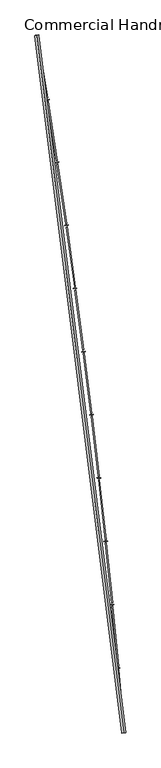
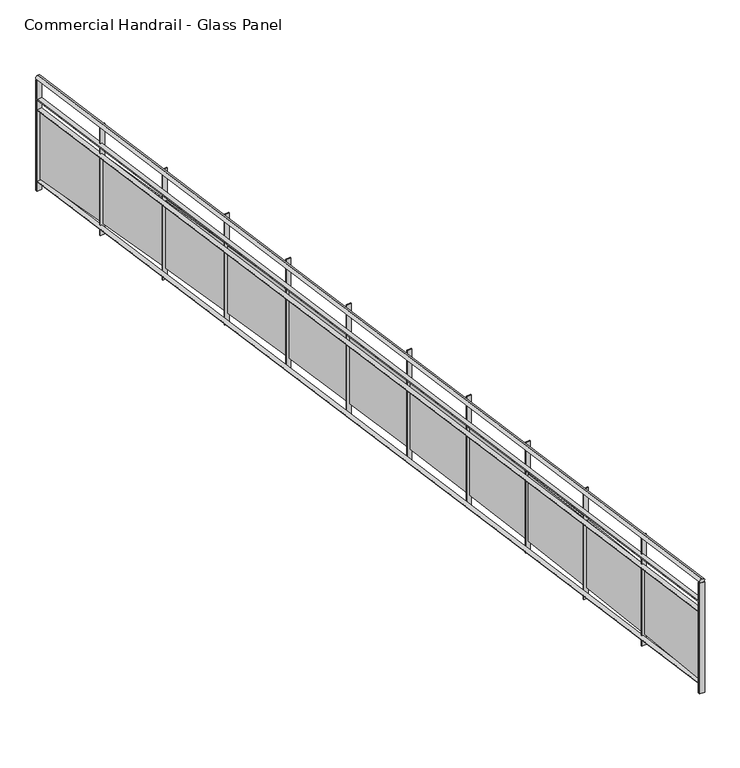
"""IFC4 building model written with IfcOpenShell, lengths in millimetres: railing geometry, Commercial Handrail - Glass Panel."""

from ifc_helpers import new_model, si_unit, point, frame, origin, place, context, project, spatial, polyline, circle_curve, ellipse_curve, trimmed, outline, extrude, source, transform, mapped, element, save
from ifc_brep_helpers import plane_surface, cylinder_surface, revolved_surface, advanced_brep


def commercial_handrail_glass_panel_8ba1d8c4(model_context):
    return source(origin(), model_context, "Body", "SolidModel", [
        advanced_brep(
        [(155415.1518736, -49813.1101198, 36682.5), (156507.3198577, -58575.9102119, 36682.5), (156507.3198577, -58575.9102119, 36717.5), (155415.1518736, -49813.1101198, 36717.5)],
        [
            (0, 1, circle_curve(frame((49774.785812, -67429.2570352, 36682.5), z_axis=(0.0, 0.0, -1.0), x_axis=(0.9965773914870409, 0.08266500333808188, 0.0)), 107099.0923108)),
            (1, 2, ellipse_curve(frame((156507.3198577, -58575.9102119, 36700.0), z_axis=(-0.08266500333808835, 0.9965773914870406, 0.0), x_axis=(0.9965773914870404, 0.08266500333808834, 0.0)), 25.0, 17.5)),
            (2, 3, circle_curve(frame((49774.785812, -67429.2570352, 36717.5), z_axis=(0.0, 0.0, 1.0), x_axis=(0.9965773914870409, 0.08266500333808188, 0.0)), 107099.0923108)),
            (3, 0, ellipse_curve(frame((155415.1518736, -49813.1101198, 36700.0), z_axis=(0.16448455850891983, -0.9863796581500077, 0.0), x_axis=(0.9863796581500075, 0.1644845585089198, 0.0)), 25.0, 17.5)),
            (2, 1, ellipse_curve(frame((156507.3198577, -58575.9102119, 36700.0), z_axis=(-0.08266500333808835, 0.9965773914870406, 0.0), x_axis=(0.9965773914870404, 0.08266500333808834, 0.0)), 25.0, 17.5)),
            (0, 3, ellipse_curve(frame((155415.1518736, -49813.1101198, 36700.0), z_axis=(0.16448455850891983, -0.9863796581500077, 0.0), x_axis=(0.9863796581500075, 0.1644845585089198, 0.0)), 25.0, 17.5)),
        ],
        [
            revolved_surface(trimmed(ellipse_curve(frame((156507.3198577, -58575.9102119, 36700.0), z_axis=(0.08266500333808188, -0.9965773914870409, 0.0), x_axis=(0.0, 0.0, -1.0)), 17.5, 25.0), [point((156507.3198577, -58575.9102119, 36717.5))], [point((156507.3198577, -58575.9102119, 36682.5))], True, "CARTESIAN"), (49774.785812, -67429.2570352, 36700.0), (0.0, 0.0, 1.0)),
            revolved_surface(trimmed(ellipse_curve(frame((156507.3198577, -58575.9102119, 36700.0), z_axis=(0.08266500333808188, -0.9965773914870409, 0.0), x_axis=(0.0, 0.0, -1.0)), 17.5, 25.0), [point((156507.3198577, -58575.9102119, 36682.5))], [point((156507.3198577, -58575.9102119, 36717.5))], True, "CARTESIAN"), (49774.785812, -67429.2570352, 36700.0), (0.0, 0.0, 1.0)),
            plane_surface(frame((156507.3198577, -58575.9102119, 36700.0), z_axis=(0.08266500333808188, -0.9965773914870409, 0.0), x_axis=(0.9965773914870409, 0.08266500333808188, 0.0))),
            plane_surface(frame((155415.1518736, -49813.1101198, 36700.0), z_axis=(-0.16448455850891983, 0.9863796581500076, 0.0), x_axis=(0.9863796581500076, 0.16448455850891983, 0.0))),
        ],
        [
            (0, [[1, 2, 3, 4]]),
            (1, [[-3, 5, -1, 6]]),
            (2, [[-2, -5]]),
            (3, [[-6, -4]]),
        ],
    ),
        advanced_brep(
        [(155392.9583313, -49816.8110224, 36500.0), (156484.8968663, -58577.7701744, 36500.0), (156529.742849, -58574.0502493, 36500.0), (155437.3454159, -49809.4092172, 36500.0), (155392.9583313, -49816.8110224, 36494.0), (156484.8968663, -58577.7701744, 36494.0), (155437.3454159, -49809.4092172, 36494.0), (156529.742849, -58574.0502493, 36494.0)],
        [
            (0, 1, circle_curve(frame((49774.785812, -67429.2570352, 36500.0), z_axis=(0.0, 0.0, -1.0), x_axis=(0.9965773914870409, 0.08266500333808188, 0.0)), 107076.5923108)),
            (1, 2),
            (2, 3, circle_curve(frame((49774.785812, -67429.2570352, 36500.0), z_axis=(0.0, 0.0, 1.0), x_axis=(0.9965773914870409, 0.08266500333808188, 0.0)), 107121.5923108)),
            (3, 0),
            (4, 5, circle_curve(frame((49774.785812, -67429.2570352, 36494.0), z_axis=(0.0, 0.0, -1.0), x_axis=(0.9965773914870409, 0.08266500333808188, 0.0)), 107076.5923108)),
            (5, 1),
            (0, 4),
            (6, 7, circle_curve(frame((49774.785812, -67429.2570352, 36494.0), z_axis=(0.0, 0.0, -1.0), x_axis=(0.9965773914870409, 0.08266500333808188, 0.0)), 107121.5923108)),
            (7, 5),
            (4, 6),
            (2, 7),
            (6, 3),
        ],
        [
            plane_surface(frame((49774.785812, -67429.2570352, 36500.0), z_axis=(0.0, 0.0, 1.0), x_axis=(0.9965773914870409, 0.08266500333808188, 0.0))),
            revolved_surface(polyline([(156484.89686641842, -58577.77017439729, 36500.0), (156484.89686641842, -58577.77017439729, 36494.0)]), (49774.785812, -67429.2570352, 36500.0), (0.0, 0.0, 1.0)),
            plane_surface(frame((49774.785812, -67429.2570352, 36494.0), z_axis=(0.0, 0.0, -1.0), x_axis=(0.9965773914870409, 0.08266500333808188, 0.0))),
            cylinder_surface(frame((49774.785812, -67429.2570352, 36500.0), z_axis=(0.0, 0.0, 1.0), x_axis=(0.9965773914870409, 0.08266500333808188, 0.0)), 107121.5923108),
            plane_surface(frame((156507.3198577, -58575.9102119, 36500.0), z_axis=(0.08266500333808188, -0.9965773914870409, 0.0), x_axis=(0.9965773914870409, 0.08266500333808188, 0.0))),
            plane_surface(frame((155415.1518736, -49813.1101198, 36500.0), z_axis=(-0.16448455850891983, 0.9863796581500076, 0.0), x_axis=(0.9863796581500076, 0.16448455850891983, 0.0))),
        ],
        [
            (0, [[1, 2, 3, 4]]),
            (1, [[5, 6, -1, 7]]),
            (2, [[8, 9, -5, 10]]),
            (3, [[-3, 11, -8, 12]]),
            (4, [[-2, -6, -9, -11]]),
            (5, [[-12, -10, -7, -4]]),
        ],
    ),
        advanced_brep(
        [(155392.9583313, -49816.8110224, 36400.0), (156484.8968663, -58577.7701744, 36400.0), (156529.742849, -58574.0502493, 36400.0), (155437.3454159, -49809.4092172, 36400.0), (155392.9583313, -49816.8110224, 36394.0), (156484.8968663, -58577.7701744, 36394.0), (155437.3454159, -49809.4092172, 36394.0), (156529.742849, -58574.0502493, 36394.0)],
        [
            (0, 1, circle_curve(frame((49774.785812, -67429.2570352, 36400.0), z_axis=(0.0, 0.0, -1.0), x_axis=(0.9965773914870409, 0.08266500333808188, 0.0)), 107076.5923108)),
            (1, 2),
            (2, 3, circle_curve(frame((49774.785812, -67429.2570352, 36400.0), z_axis=(0.0, 0.0, 1.0), x_axis=(0.9965773914870409, 0.08266500333808188, 0.0)), 107121.5923108)),
            (3, 0),
            (4, 5, circle_curve(frame((49774.785812, -67429.2570352, 36394.0), z_axis=(0.0, 0.0, -1.0), x_axis=(0.9965773914870409, 0.08266500333808188, 0.0)), 107076.5923108)),
            (5, 1),
            (0, 4),
            (6, 7, circle_curve(frame((49774.785812, -67429.2570352, 36394.0), z_axis=(0.0, 0.0, -1.0), x_axis=(0.9965773914870409, 0.08266500333808188, 0.0)), 107121.5923108)),
            (7, 5),
            (4, 6),
            (2, 7),
            (6, 3),
        ],
        [
            plane_surface(frame((49774.785812, -67429.2570352, 36400.0), z_axis=(0.0, 0.0, 1.0), x_axis=(0.9965773914870409, 0.08266500333808188, 0.0))),
            revolved_surface(polyline([(156484.89686641842, -58577.77017439729, 36400.0), (156484.89686641842, -58577.77017439729, 36394.0)]), (49774.785812, -67429.2570352, 36400.0), (0.0, 0.0, 1.0)),
            plane_surface(frame((49774.785812, -67429.2570352, 36394.0), z_axis=(0.0, 0.0, -1.0), x_axis=(0.9965773914870409, 0.08266500333808188, 0.0))),
            cylinder_surface(frame((49774.785812, -67429.2570352, 36400.0), z_axis=(0.0, 0.0, 1.0), x_axis=(0.9965773914870409, 0.08266500333808188, 0.0)), 107121.5923108),
            plane_surface(frame((156507.3198577, -58575.9102119, 36400.0), z_axis=(0.08266500333808188, -0.9965773914870409, 0.0), x_axis=(0.9965773914870409, 0.08266500333808188, 0.0))),
            plane_surface(frame((155415.1518736, -49813.1101198, 36400.0), z_axis=(-0.16448455850891983, 0.9863796581500076, 0.0), x_axis=(0.9863796581500076, 0.16448455850891983, 0.0))),
        ],
        [
            (0, [[1, 2, 3, 4]]),
            (1, [[5, 6, -1, 7]]),
            (2, [[8, 9, -5, 10]]),
            (3, [[-3, 11, -8, 12]]),
            (4, [[-2, -6, -9, -11]]),
            (5, [[-12, -10, -7, -4]]),
        ],
    ),
        advanced_brep(
        [(155392.9583313, -49816.8110224, 35700.0), (156484.8968663, -58577.7701744, 35700.0), (156529.742849, -58574.0502493, 35700.0), (155437.3454159, -49809.4092172, 35700.0), (155392.9583313, -49816.8110224, 35694.0), (156484.8968663, -58577.7701744, 35694.0), (155437.3454159, -49809.4092172, 35694.0), (156529.742849, -58574.0502493, 35694.0)],
        [
            (0, 1, circle_curve(frame((49774.785812, -67429.2570352, 35700.0), z_axis=(0.0, 0.0, -1.0), x_axis=(0.9965773914870409, 0.08266500333808188, 0.0)), 107076.5923108)),
            (1, 2),
            (2, 3, circle_curve(frame((49774.785812, -67429.2570352, 35700.0), z_axis=(0.0, 0.0, 1.0), x_axis=(0.9965773914870409, 0.08266500333808188, 0.0)), 107121.5923108)),
            (3, 0),
            (4, 5, circle_curve(frame((49774.785812, -67429.2570352, 35694.0), z_axis=(0.0, 0.0, -1.0), x_axis=(0.9965773914870409, 0.08266500333808188, 0.0)), 107076.5923108)),
            (5, 1),
            (0, 4),
            (6, 7, circle_curve(frame((49774.785812, -67429.2570352, 35694.0), z_axis=(0.0, 0.0, -1.0), x_axis=(0.9965773914870409, 0.08266500333808188, 0.0)), 107121.5923108)),
            (7, 5),
            (4, 6),
            (2, 7),
            (6, 3),
        ],
        [
            plane_surface(frame((49774.785812, -67429.2570352, 35700.0), z_axis=(0.0, 0.0, 1.0), x_axis=(0.9965773914870409, 0.08266500333808188, 0.0))),
            revolved_surface(polyline([(156484.89686641842, -58577.77017439729, 35700.0), (156484.89686641842, -58577.77017439729, 35694.0)]), (49774.785812, -67429.2570352, 35700.0), (0.0, 0.0, 1.0)),
            plane_surface(frame((49774.785812, -67429.2570352, 35694.0), z_axis=(0.0, 0.0, -1.0), x_axis=(0.9965773914870409, 0.08266500333808188, 0.0))),
            cylinder_surface(frame((49774.785812, -67429.2570352, 35700.0), z_axis=(0.0, 0.0, 1.0), x_axis=(0.9965773914870409, 0.08266500333808188, 0.0)), 107121.5923108),
            plane_surface(frame((156507.3198577, -58575.9102119, 35700.0), z_axis=(0.08266500333808188, -0.9965773914870409, 0.0), x_axis=(0.9965773914870409, 0.08266500333808188, 0.0))),
            plane_surface(frame((155415.1518736, -49813.1101198, 35700.0), z_axis=(-0.16448455850891983, 0.9863796581500076, 0.0), x_axis=(0.9863796581500076, 0.16448455850891983, 0.0))),
        ],
        [
            (0, [[1, 2, 3, 4]]),
            (1, [[5, 6, -1, 7]]),
            (2, [[8, 9, -5, 10]]),
            (3, [[-3, 11, -8, 12]]),
            (4, [[-2, -6, -9, -11]]),
            (5, [[-12, -10, -7, -4]]),
        ],
    ),
        extrude(outline(polyline([(155440.5602167, -49828.6983042), (155396.1719887, -49836.0932495), (155395.185996, -49830.1748191), (155439.574224, -49822.7798738), (155440.5602167, -49828.6983042)])), frame((0.0, 0.0, 35600.0), z_axis=(0.0, 0.0, 1.0), x_axis=(1.0, 0.0, 0.0)), (0.0, 0.0, 1.0), 1082.1192282),
        extrude(outline(polyline([(155537.9927324, -50600.148842), (155415.9010924, -49850.0197655), (155427.7452357, -49848.0920027), (155549.8368757, -50598.2210792), (155537.9927324, -50600.148842)])), frame((0.0, 0.0, 35720.0), z_axis=(0.0, 0.0, 1.0), x_axis=(1.0, 0.0, 0.0)), (0.0, 0.0, 1.0), 660.0),
        extrude(outline(polyline([(155569.0823153, -50618.4755081), (155524.640088, -50625.5386825), (155523.6983314, -50619.6130522), (155568.1405587, -50612.5498778), (155569.0823153, -50618.4755081)])), frame((0.0, 0.0, 35600.0), z_axis=(0.0, 0.0, 1.0), x_axis=(1.0, 0.0, 0.0)), (0.0, 0.0, 1.0), 1082.1192282),
        extrude(outline(polyline([(155660.7496486, -51390.6323103), (155544.2646152, -50639.6121795), (155556.1228277, -50637.7729421), (155672.6078612, -51388.793073), (155660.7496486, -51390.6323103)])), frame((0.0, 0.0, 35720.0), z_axis=(0.0, 0.0, 1.0), x_axis=(1.0, 0.0, 0.0)), (0.0, 0.0, 1.0), 660.0),
        extrude(outline(polyline([(155691.7014704, -51409.1906934), (155647.2077235, -51415.921703), (155646.3102556, -51409.9892034), (155690.8040025, -51403.2581938), (155691.7014704, -51409.1906934)])), frame((0.0, 0.0, 35600.0), z_axis=(0.0, 0.0, 1.0), x_axis=(1.0, 0.0, 0.0)), (0.0, 0.0, 1.0), 1082.1192282),
        extrude(outline(polyline([(155777.5985065, -52182.0106766), (155666.7265791, -51430.1413956), (155678.5981993, -51428.3907863), (155789.4701268, -52180.2600673), (155777.5985065, -52182.0106766)])), frame((0.0, 0.0, 35720.0), z_axis=(0.0, 0.0, 1.0), x_axis=(1.0, 0.0, 0.0)), (0.0, 0.0, 1.0), 660.0),
        extrude(outline(polyline([(155808.4108402, -52200.7997412), (155763.8680564, -52207.1982104), (155763.0149272, -52201.2591725), (155807.557711, -52194.8607033), (155808.4108402, -52200.7997412)])), frame((0.0, 0.0, 35600.0), z_axis=(0.0, 0.0, 1.0), x_axis=(1.0, 0.0, 0.0)), (0.0, 0.0, 1.0), 1082.1192282),
        extrude(outline(polyline([(155888.5327865, -52974.2397848), (155783.2801513, -52221.5633053), (155795.1645168, -52219.9014216), (155900.4171519, -52972.5779011), (155888.5327865, -52974.2397848)])), frame((0.0, 0.0, 35720.0), z_axis=(0.0, 0.0, 1.0), x_axis=(1.0, 0.0, 0.0)), (0.0, 0.0, 1.0), 660.0),
        extrude(outline(polyline([(155919.2039129, -52993.2584824), (155874.6145774, -52999.3240542), (155873.8058345, -52993.3788094), (155918.39517, -52987.3132377), (155919.2039129, -52993.2584824)])), frame((0.0, 0.0, 35600.0), z_axis=(0.0, 0.0, 1.0), x_axis=(1.0, 0.0, 0.0)), (0.0, 0.0, 1.0), 1082.1192282),
        extrude(outline(polyline([(155993.5462987, -53767.2754312), (155893.9188285, -53013.8337498), (155905.8152761, -53012.2606845), (156005.4427463, -53765.7023659), (155993.5462987, -53767.2754312)])), frame((0.0, 0.0, 35720.0), z_axis=(0.0, 0.0, 1.0), x_axis=(1.0, 0.0, 0.0)), (0.0, 0.0, 1.0), 660.0),
        extrude(outline(polyline([(156024.0745064, -53786.5227008), (155979.4411072, -53792.2550367), (155978.6767957, -53786.3039168), (156023.3101949, -53780.5715809), (156024.0745064, -53786.5227008)])), frame((0.0, 0.0, 35600.0), z_axis=(0.0, 0.0, 1.0), x_axis=(1.0, 0.0, 0.0)), (0.0, 0.0, 1.0), 1082.1192282),
        extrude(outline(polyline([(156092.6331838, -54561.0733673), (155998.6364375, -53806.9085235), (156010.5443034, -53805.4243644), (156104.5410497, -54559.5892082), (156092.6331838, -54561.0733673)])), frame((0.0, 0.0, 35720.0), z_axis=(0.0, 0.0, 1.0), x_axis=(1.0, 0.0, 0.0)), (0.0, 0.0, 1.0), 660.0),
        extrude(outline(polyline([(156123.0167695, -54580.548135), (156078.3417969, -54585.9469151), (156077.6219596, -54579.9902521), (156122.2969321, -54574.591472), (156123.0167695, -54580.548135)])), frame((0.0, 0.0, 35600.0), z_axis=(0.0, 0.0, 1.0), x_axis=(1.0, 0.0, 0.0)), (0.0, 0.0, 1.0), 1082.1192282),
        extrude(outline(polyline([(156185.787913, -55355.5893021), (156097.4271353, -54600.7433755), (156109.3457552, -54599.3482053), (156197.7065329, -55354.194132), (156185.787913, -55355.5893021)])), frame((0.0, 0.0, 35720.0), z_axis=(0.0, 0.0, 1.0), x_axis=(1.0, 0.0, 0.0)), (0.0, 0.0, 1.0), 660.0),
        extrude(outline(polyline([(156216.0251814, -55375.2904812), (156171.3111282, -55380.3554043), (156170.6358051, -55374.3935306), (156215.3498583, -55369.3286074), (156216.0251814, -55375.2904812)])), frame((0.0, 0.0, 35600.0), z_axis=(0.0, 0.0, 1.0), x_axis=(1.0, 0.0, 0.0)), (0.0, 0.0, 1.0), 1082.1192282),
        extrude(outline(polyline([(156273.0052888, -56150.7789044), (156190.2854098, -55395.2940127), (156202.2141186, -55393.9879094), (156284.9339976, -56149.4728011), (156273.0052888, -56150.7789044)])), frame((0.0, 0.0, 35720.0), z_axis=(0.0, 0.0, 1.0), x_axis=(1.0, 0.0, 0.0)), (0.0, 0.0, 1.0), 660.0),
        extrude(outline(polyline([(156303.0945527, -56170.7053956), (156258.3439138, -56175.4361792), (156257.7131426, -56169.4694274), (156302.4637816, -56164.7386437), (156303.0945527, -56170.7053956)])), frame((0.0, 0.0, 35600.0), z_axis=(0.0, 0.0, 1.0), x_axis=(1.0, 0.0, 0.0)), (0.0, 0.0, 1.0), 1082.1192282),
        extrude(outline(polyline([(156354.2804446, -56946.5978055), (156277.2060799, -56190.5161021), (156289.144212, -56189.2991384), (156366.2185768, -56945.3808418), (156354.2804446, -56946.5978055)])), frame((0.0, 0.0, 35720.0), z_axis=(0.0, 0.0, 1.0), x_axis=(1.0, 0.0, 0.0)), (0.0, 0.0, 1.0), 660.0),
        extrude(outline(polyline([(156384.2200253, -56966.748497), (156339.4352975, -56971.1448771), (156338.8491135, -56965.17358), (156383.6338412, -56960.7771999), (156384.2200253, -56966.748497)])), frame((0.0, 0.0, 35600.0), z_axis=(0.0, 0.0, 1.0), x_axis=(1.0, 0.0, 0.0)), (0.0, 0.0, 1.0), 1082.1192282),
        extrude(outline(polyline([(156429.6088457, -57743.0016015), (156358.1842956, -56986.3652729), (156370.131185, -56985.2375169), (156441.5557351, -57741.8738454), (156429.6088457, -57743.0016015)])), frame((0.0, 0.0, 35720.0), z_axis=(0.0, 0.0, 1.0), x_axis=(1.0, 0.0, 0.0)), (0.0, 0.0, 1.0), 660.0),
        extrude(outline(polyline([(156459.3970725, -57763.3753689), (156414.5807547, -57767.4371002), (156414.0391905, -57761.4615912), (156458.8555083, -57757.3998599), (156459.3970725, -57763.3753689)])), frame((0.0, 0.0, 35600.0), z_axis=(0.0, 0.0, 1.0), x_axis=(1.0, 0.0, 0.0)), (0.0, 0.0, 1.0), 1082.1192282),
        extrude(outline(polyline([(156498.9862889, -58539.9458559), (156433.2155387, -57782.7971199), (156445.1705188, -57781.7586343), (156510.9412689, -58538.9073703), (156498.9862889, -58539.9458559)])), frame((0.0, 0.0, 35720.0), z_axis=(0.0, 0.0, 1.0), x_axis=(1.0, 0.0, 0.0)), (0.0, 0.0, 1.0), 660.0),
        extrude(outline(polyline([(156528.6214998, -58560.5415625), (156483.7760926, -58564.2684183), (156483.2791785, -58558.2890307), (156528.1245856, -58554.5621749), (156528.6214998, -58560.5415625)])), frame((0.0, 0.0, 35600.0), z_axis=(0.0, 0.0, 1.0), x_axis=(1.0, 0.0, 0.0)), (0.0, 0.0, 1.0), 1082.1192282),
        extrude(outline(polyline([(155437.8388696, -49812.3683562), (155393.451785, -49819.7701613), (155392.4648776, -49813.8518834), (155436.8519623, -49806.4500783), (155437.8388696, -49812.3683562)])), frame((0.0, 0.0, 35600.0), z_axis=(0.0, 0.0, 1.0), x_axis=(1.0, 0.0, 0.0)), (0.0, 0.0, 1.0), 1082.1192282),
        extrude(outline(polyline([(156529.990844, -58577.0399815), (156485.1448614, -58580.7599066), (156484.6488713, -58574.7804423), (156529.494854, -58571.0605171), (156529.990844, -58577.0399815)])), frame((0.0, 0.0, 35600.0), z_axis=(0.0, 0.0, 1.0), x_axis=(1.0, 0.0, 0.0)), (0.0, 0.0, 1.0), 1082.1192282),
    ])


if __name__ == "__main__":
    model = new_model("IFC4")
    model_context = context("Model", 3, world=origin())
    ifc_project = project(units=[si_unit("LENGTHUNIT", "METRE", prefix="MILLI")], contexts=[model_context])
    site = spatial("IfcSite", under=ifc_project)
    building = spatial("IfcBuilding", under=site)
    placement = place(None, origin())
    commercial_handrail_glass_panel_shape = commercial_handrail_glass_panel_8ba1d8c4(model_context)
    element("IfcRailing", 1, ObjectType="Commercial Handrail - Glass Panel", at=placement, inside=building, context=model_context, shape_type="MappedRepresentation", body=[
        mapped(commercial_handrail_glass_panel_shape, transform((0.0, 0.0, 0.0), x_axis=(1.0, 0.0, 0.0), y_axis=(0.0, 1.0, 0.0), z_axis=(0.0, 0.0, 1.0))),
    ])
    save(model, "model.ifc")
